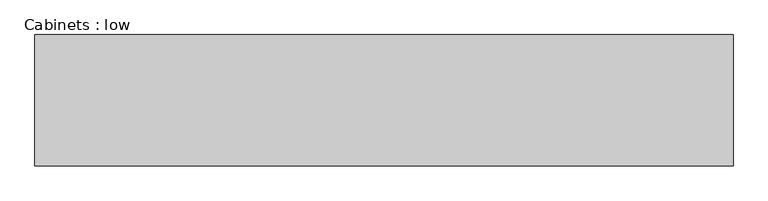
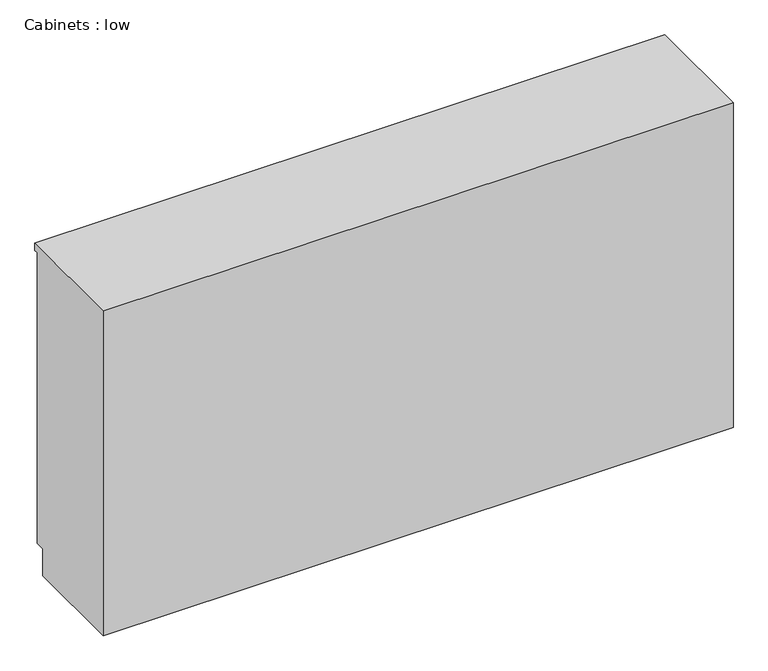
"""IFC4 building model written with IfcOpenShell, lengths in millimetres: furniture geometry, Cabinets : low."""

from ifc_helpers import new_model, si_unit, origin, place, context, project, spatial, faceted_brep, source, transform, mapped, element, save


def cabinets_low_1fd37bd9(model_context):
    return source(origin(), model_context, "Body", "Brep", [
        faceted_brep([(-1913.5686582, 550.0, 0.0), (-1913.5686582, 0.0, 0.0), (-1913.5686582, 0.0, 1800.0), (-1913.5686582, 620.0, 1800.0), (-1913.5686582, 620.0, 1760.0), (-1913.5686582, 600.0, 1760.0), (-1913.5686582, 600.0, 150.0), (-1913.5686582, 550.0, 150.0), (1386.4313418, 550.0, 0.0), (1386.4313418, 550.0, 150.0), (1386.4313418, 600.0, 150.0), (1386.4313418, 600.0, 1760.0), (1386.4313418, 620.0, 1760.0), (1386.4313418, 620.0, 1800.0), (1386.4313418, 0.0, 1800.0), (1386.4313418, 0.0, 0.0), (1061.4313418, 600.0, 1560.0), (511.4313418, 600.0, 1560.0), (511.4313418, 600.0, 1210.0), (1061.4313418, 600.0, 1210.0), (1061.4313418, 580.0, 1560.0), (1061.4313418, 580.0, 1210.0), (511.4313418, 580.0, 1210.0), (511.4313418, 580.0, 1560.0)], [[[0, 1, 2, 3, 4, 5, 6, 7]], [[8, 9, 10, 11, 12, 13, 14, 15]], [[7, 9, 8, 0]], [[6, 10, 9, 7]], [[5, 11, 10, 6], [16, 17, 18, 19]], [[4, 12, 11, 5]], [[3, 13, 12, 4]], [[2, 14, 13, 3]], [[1, 15, 14, 2]], [[0, 8, 15, 1]], [[20, 21, 22, 23]], [[20, 16, 19, 21]], [[21, 19, 18, 22]], [[22, 18, 17, 23]], [[23, 17, 16, 20]]]),
    ])


if __name__ == "__main__":
    model = new_model("IFC4")
    model_context = context("Model", 3, world=origin())
    ifc_project = project(units=[si_unit("LENGTHUNIT", "METRE", prefix="MILLI")], contexts=[model_context])
    site = spatial("IfcSite", under=ifc_project)
    building = spatial("IfcBuilding", under=site)
    placement = place(None, origin())
    cabinets_low_shape = cabinets_low_1fd37bd9(model_context)
    element("IfcFurniture", 1, ObjectType="Cabinets : low", at=placement, inside=building, context=model_context, shape_type="MappedRepresentation", body=[
        mapped(cabinets_low_shape, transform((0.0, 0.0, 0.0), x_axis=(1.0, 0.0, 0.0), y_axis=(0.0, 1.0, 0.0), z_axis=(0.0, 0.0, 1.0))),
    ])
    save(model, "model.ifc")
